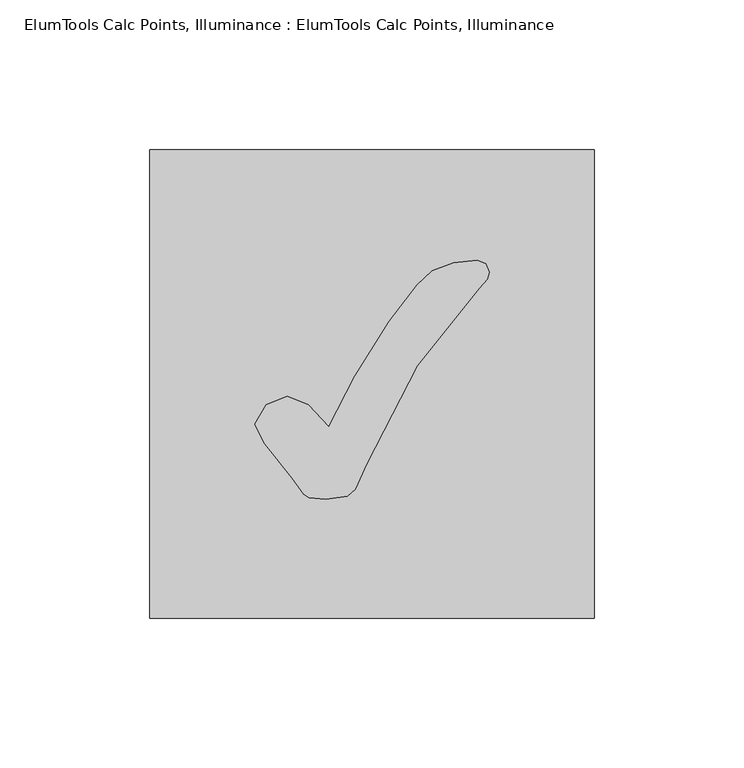
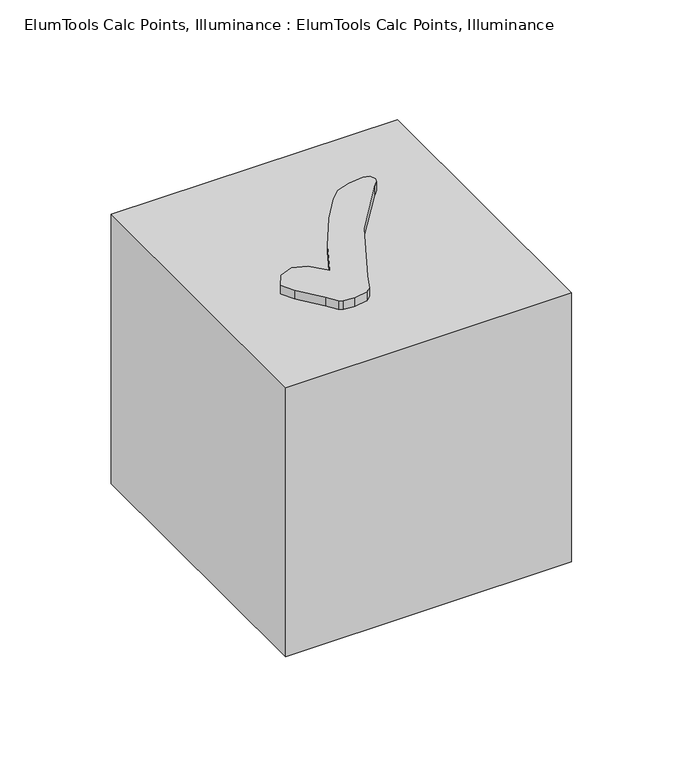
"""IFC4 building model written with IfcOpenShell, lengths in millimetres: proxy geometry, ElumTools Calc Points, Illuminance : ElumTools Calc Points, Illuminance."""

import ifcopenshell
import ifcopenshell.guid

model = None  # the IFC model being written
_history = None  # IfcOwnerHistory: only IFC2X3 demands one
_inside = {}  # id of a spatial element -> (the spatial element, [elements in it])
_under = {}  # id of a project, library or spatial element -> (it, [spatial elements below it])
_declared = {}  # id of a project -> (the project, [libraries it declares])
_typed = {}  # id of a type object -> (the type object, [elements of that type])
_made_of = {}  # id of a material, layer set ... -> (it, [elements and type objects made of it])


def new_model(schema):
    """Start an empty IFC model of exactly this schema.

    Asked for "IFC4X3", IfcOpenShell would pick the latest addendum, in which some entities
    have other attributes; the version numbers below select the first issue.
    IFC2X3 requires an IfcOwnerHistory on every rooted entity: one is made here for all.
    """
    global model, _history
    if schema == "IFC4X3":
        model = ifcopenshell.file(schema_version=(4, 3, 0, 0))
    else:
        model = ifcopenshell.file(schema=schema)
    _inside.clear()
    _under.clear()
    _declared.clear()
    _typed.clear()
    _made_of.clear()
    _history = None
    if model.schema == "IFC2X3":
        org = make("IfcOrganization", Name="unknown")
        user = make(
            "IfcPersonAndOrganization",
            ThePerson=make("IfcPerson", FamilyName="unknown"),
            TheOrganization=org,
        )
        app = make(
            "IfcApplication",
            ApplicationDeveloper=org,
            Version="unknown",
            ApplicationFullName="unknown",
            ApplicationIdentifier="unknown",
        )
        _history = make(
            "IfcOwnerHistory",
            OwningUser=user,
            OwningApplication=app,
            ChangeAction="ADDED",
            CreationDate=0,
        )
    return model


def make(cls, **values):
    """One entity of the class cls with the attributes given. An attribute that is None is left unset."""
    return model.create_entity(
        cls, **{name: value for name, value in values.items() if value is not None}
    )


def rooted(cls, **values):
    """An entity with a GlobalId (a new one), such as an element, a storey or a relation."""
    return make(cls, GlobalId=ifcopenshell.guid.new(), OwnerHistory=_history, **values)


def si_unit(unit_type, name, prefix=None):
    """IfcSIUnit, for example si_unit("LENGTHUNIT", "METRE", prefix="MILLI")."""
    return make("IfcSIUnit", UnitType=unit_type, Prefix=prefix, Name=name)


def assignment(units):
    """IfcUnitAssignment: the units of a project."""
    return None if units is None else make("IfcUnitAssignment", Units=units)


def point(xyz):
    """IfcCartesianPoint."""
    return None if xyz is None else make("IfcCartesianPoint", Coordinates=xyz)


def direction(xyz):
    """IfcDirection."""
    return None if xyz is None else make("IfcDirection", DirectionRatios=xyz)


def frame(location, z_axis=None, x_axis=None):
    """IfcAxis2Placement3D, a coordinate frame: its origin and axes. An axis left out is left unset."""
    return make(
        "IfcAxis2Placement3D",
        Location=point(location),
        Axis=direction(z_axis),
        RefDirection=direction(x_axis),
    )


def origin():
    """The frame at (0, 0, 0) with its axes left unset."""
    return frame((0.0, 0.0, 0.0))


def origin_with_axes():
    """The frame at (0, 0, 0) with the z axis (0, 0, 1) and the x axis (1, 0, 0) written out."""
    return frame((0.0, 0.0, 0.0), z_axis=(0.0, 0.0, 1.0), x_axis=(1.0, 0.0, 0.0))


def place(relative_to, where):
    """IfcLocalPlacement: puts the frame where relative to a parent placement (None: the world)."""
    return make(
        "IfcLocalPlacement", PlacementRelTo=relative_to, RelativePlacement=where
    )


def context(
    kind, dimensions, precision=None, world=None, true_north=None, identifier=None
):
    """IfcGeometricRepresentationContext, for example the 3D "Model" context."""
    return make(
        "IfcGeometricRepresentationContext",
        ContextIdentifier=identifier,
        ContextType=kind,
        CoordinateSpaceDimension=dimensions,
        Precision=precision,
        WorldCoordinateSystem=world,
        TrueNorth=true_north,
    )


def project(units=None, contexts=None):
    """IfcProject with its units and contexts."""
    return rooted(
        "IfcProject",
        Name="project",
        RepresentationContexts=contexts,
        UnitsInContext=assignment(units),
    )


def spatial(cls, under=None, at=None, **own):
    """A site, building, storey or space (cls), placed at a placement, below another one or the project."""
    s = rooted(cls, ObjectPlacement=at, **own)
    if under is not None:
        _under.setdefault(under.id(), (under, []))[1].append(s)
    return s


def polyline(points):
    """IfcPolyline through the points."""
    return make("IfcPolyline", Points=[point(p) for p in points])


def outline(outer, holes=None, kind="AREA"):
    """IfcArbitraryClosedProfileDef: a profile drawn as a closed curve; with holes, ...WithVoids."""
    if holes is None:
        return make("IfcArbitraryClosedProfileDef", ProfileType=kind, OuterCurve=outer)
    return make(
        "IfcArbitraryProfileDefWithVoids",
        ProfileType=kind,
        OuterCurve=outer,
        InnerCurves=holes,
    )


def extrude(swept, where, along, depth):
    """IfcExtrudedAreaSolid: the profile swept, set in the frame where, extruded along a direction by depth."""
    return make(
        "IfcExtrudedAreaSolid",
        SweptArea=swept,
        Position=where,
        ExtrudedDirection=direction(along),
        Depth=depth,
    )


def shape(context_of_items, identifier, shape_type, items):
    """IfcShapeRepresentation: the items that make up one representation, for example the "Body"."""
    return make(
        "IfcShapeRepresentation",
        ContextOfItems=context_of_items,
        RepresentationIdentifier=identifier,
        RepresentationType=shape_type,
        Items=items,
    )


def source(mapping_origin, context_of_items, identifier, shape_type, items):
    """IfcRepresentationMap: a shape defined once, which mapped items show again and again."""
    return make(
        "IfcRepresentationMap",
        MappingOrigin=mapping_origin,
        MappedRepresentation=shape(context_of_items, identifier, shape_type, items),
    )


def transform(
    local_origin,
    x_axis=None,
    y_axis=None,
    z_axis=None,
    scale=None,
    scale2=None,
    scale3=None,
    uniform=True,
):
    """IfcCartesianTransformationOperator3D, or its non-uniform kind. x_axis, y_axis, z_axis: its Axis1, 2, 3."""
    if uniform:
        return make(
            "IfcCartesianTransformationOperator3D",
            Axis1=direction(x_axis),
            Axis2=direction(y_axis),
            LocalOrigin=point(local_origin),
            Scale=scale,
            Axis3=direction(z_axis),
        )
    return make(
        "IfcCartesianTransformationOperator3DnonUniform",
        Axis1=direction(x_axis),
        Axis2=direction(y_axis),
        LocalOrigin=point(local_origin),
        Scale=scale,
        Axis3=direction(z_axis),
        Scale2=scale2,
        Scale3=scale3,
    )


def mapped(mapping_source, mapping_target):
    """IfcMappedItem: shows the shape of a source again, moved by a transform."""
    return make(
        "IfcMappedItem", MappingSource=mapping_source, MappingTarget=mapping_target
    )


def made_of(thing, what):
    """Note that an element or type object is made of a material, layer set ...; save() writes the relation."""
    if what is not None:
        _made_of.setdefault(what.id(), (what, []))[1].append(thing)
    return thing


def element(
    cls,
    number,
    at=None,
    inside=None,
    cuts=None,
    type_object=None,
    material=None,
    context=None,
    identifier="Body",
    shape_type=None,
    held_by="IfcProductDefinitionShape",
    body=None,
    shapes=None,
    **own,
):
    """One element of the class cls, such as IfcWall. Its Tag is "e" and its number.

    at: its placement. inside: the storey or other place that contains it. cuts: it is an
    opening in that element (IfcRelVoidsElement). A single representation is given by context,
    identifier, shape_type and body (its items); several are given by shapes. held_by: the class
    of the entity that holds the representations. save() writes the other relations.
    """
    e = rooted(cls, Tag="e%d" % number, ObjectPlacement=at, **own)
    if body is not None:
        shapes = [shape(context, identifier, shape_type, body)]
    if shapes is not None:
        e.Representation = make(held_by, Representations=shapes)
    if inside is not None:
        _inside.setdefault(inside.id(), (inside, []))[1].append(e)
    if cuts is not None:
        rooted(
            "IfcRelVoidsElement", RelatingBuildingElement=cuts, RelatedOpeningElement=e
        )
    if type_object is not None:
        _typed.setdefault(type_object.id(), (type_object, []))[1].append(e)
    return made_of(e, material)


def aggregate(whole, parts):
    """IfcRelAggregates: a whole, such as a stair, and the parts it consists of."""
    return rooted("IfcRelAggregates", RelatingObject=whole, RelatedObjects=parts)


def save(model, path):
    """Write the relations noted so far, then the file.

    IfcRelAggregates (storeys below a building ...), IfcRelContainedInSpatialStructure (elements
    in a storey), IfcRelDefinesByType, IfcRelAssociatesMaterial and IfcRelDeclares: one each for
    every whole, place, type object, material and project.
    """
    for whole, parts in _under.values():
        aggregate(whole, parts)
    for where, things in _inside.values():
        rooted(
            "IfcRelContainedInSpatialStructure",
            RelatedElements=things,
            RelatingStructure=where,
        )
    for kind, things in _typed.values():
        rooted("IfcRelDefinesByType", RelatedObjects=things, RelatingType=kind)
    for what, things in _made_of.values():
        rooted("IfcRelAssociatesMaterial", RelatedObjects=things, RelatingMaterial=what)
    for by, libraries in _declared.values():
        rooted("IfcRelDeclares", RelatingContext=by, RelatedDefinitions=libraries)
    model.write(path)


def elumtools_calc_points_illuminance_elumtools_calc_points_8c3ad228(model_context):
    return source(origin(), model_context, "Body", "SweptSolid", [
        extrude(outline(polyline([(-14.4407308, -14.3331248), (-5.681599, 2.6040662), (5.8107263, 21.0046993), (15.1724519, 33.1749426), (20.1546116, 37.9418903), (27.374977, 40.5136747), (35.230218, 41.32072), (38.1248206, 40.233899), (39.254684, 37.3823389), (38.5982871, 35.0365272), (35.8758543, 32.0881216), (15.2477761, 6.0797414), (-1.7647391, -26.6217347), (-5.5955142, -35.1333726), (-8.210341, -37.4791843), (-15.4522276, -38.5660053), (-20.9939387, -38.0279751), (-22.8555232, -36.8873511), (-26.5786923, -31.5931338), (-35.7897695, -19.9501601), (-39.254684, -13.4937976), (-35.3055423, -6.9298291), (-28.3219102, -4.132072), (-21.230672, -6.9190685), (-14.4407308, -14.3331248)])), origin_with_axes(), (0.0, 0.0, 1.0), 152.4),
        extrude(outline(polyline([(-74.377296, -78.4098), (-74.377296, 78.4098), (74.377296, 78.4098), (74.377296, -78.4098), (-74.377296, -78.4098)])), origin_with_axes(), (0.0, 0.0, 1.0), 147.828),
    ])


if __name__ == "__main__":
    model = new_model("IFC4")
    model_context = context("Model", 3, world=origin())
    ifc_project = project(units=[si_unit("LENGTHUNIT", "METRE", prefix="MILLI")], contexts=[model_context])
    site = spatial("IfcSite", under=ifc_project)
    building = spatial("IfcBuilding", under=site)
    placement = place(None, origin())
    elumtools_calc_points_illuminance_elumtools_calc_points_shape = elumtools_calc_points_illuminance_elumtools_calc_points_8c3ad228(model_context)
    element("IfcBuildingElementProxy", 1, Name="ElumTools Calc Points, Illuminance : ElumTools Calc Points, Illuminance", ObjectType="ElumTools Calc Points, Illuminance : ElumTools Calc Points, Illuminance", at=placement, inside=building, context=model_context, shape_type="MappedRepresentation", body=[
        mapped(elumtools_calc_points_illuminance_elumtools_calc_points_shape, transform((0.0, 0.0, 0.0), x_axis=(1.0, 0.0, 0.0), y_axis=(0.0, 1.0, 0.0), z_axis=(0.0, 0.0, 1.0))),
    ])
    save(model, "model.ifc")
